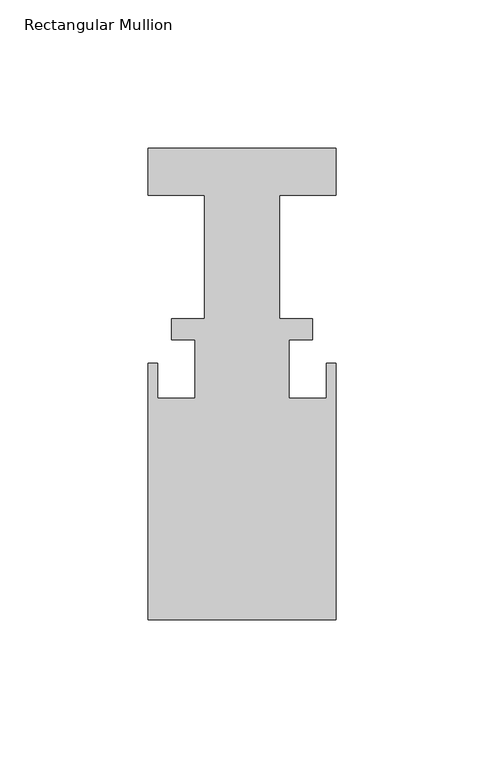
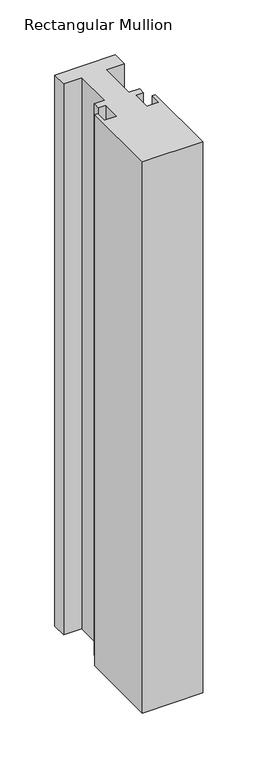
"""IFC4 building model written with IfcOpenShell, lengths in millimetres: member geometry, Rectangular Mullion."""

from ifc_helpers import new_model, si_unit, frame, origin, place, context, project, spatial, polyline, outline, extrude, source, transform, mapped, element, save


def rectangular_mullion_d0fd361c(model_context):
    return source(origin(), model_context, "Body", "SweptSolid", [
        extrude(outline(polyline([(-31.75, 50.6849063), (31.75, 50.6849063), (31.75, 34.8099063), (12.7, 34.8099063), (12.7, -6.8460938), (23.8252, -6.8460938), (23.8252, -14.0088937), (15.875, -14.0088937), (15.875, -33.8208937), (28.575, -33.8208937), (28.575, -21.9082938), (31.75, -21.9082938), (31.75, -108.4460938), (-31.75, -108.4460938), (-31.75, -21.9082938), (-28.575, -21.9082938), (-28.575, -33.8208937), (-15.875, -33.8208937), (-15.875, -14.0088938), (-23.8252, -14.0088938), (-23.8252, -6.8460938), (-12.7, -6.8460938), (-12.7, 34.8099063), (-31.75, 34.8099063), (-31.75, 50.6849063)])), frame((0.0, 0.0, -611.851698), z_axis=(0.0, 0.0, 1.0), x_axis=(1.0, 0.0, 0.0)), (0.0, 0.0, 1.0), 611.851698),
    ])


if __name__ == "__main__":
    model = new_model("IFC4")
    model_context = context("Model", 3, world=origin())
    ifc_project = project(units=[si_unit("LENGTHUNIT", "METRE", prefix="MILLI")], contexts=[model_context])
    site = spatial("IfcSite", under=ifc_project)
    building = spatial("IfcBuilding", under=site)
    placement = place(None, origin())
    rectangular_mullion_shape = rectangular_mullion_d0fd361c(model_context)
    element("IfcMember", 1, ObjectType="Rectangular Mullion", at=placement, inside=building, context=model_context, shape_type="MappedRepresentation", body=[
        mapped(rectangular_mullion_shape, transform((0.0, 0.0, 0.0), x_axis=(1.0, 0.0, 0.0), y_axis=(0.0, 1.0, 0.0), z_axis=(0.0, 0.0, 1.0))),
    ])
    save(model, "model.ifc")
